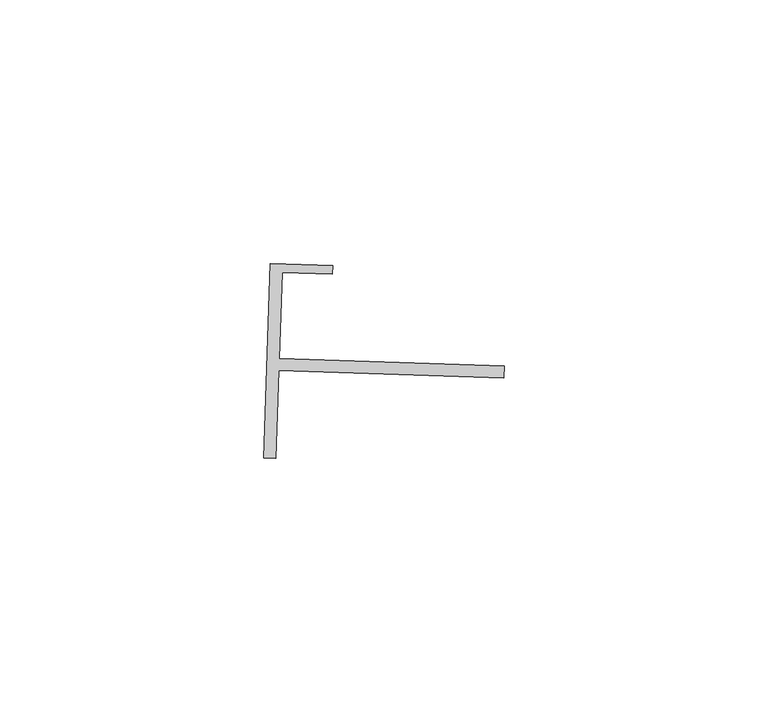
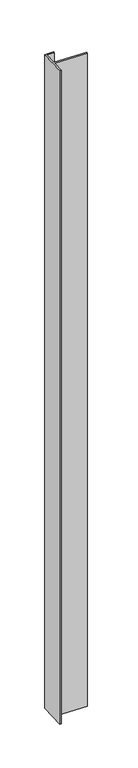
"""IFC4 building model written with IfcOpenShell, lengths in millimetres: proxy geometry."""

from ifc_helpers import new_model, si_unit, frame, origin, place, context, project, spatial, polyline, outline, extrude, source, transform, mapped, element, save


def generic_models_08c3ca73(model_context):
    return source(origin(), model_context, "Body", "SweptSolid", [
        extrude(outline(polyline([(32675.8677673, -15336.5924982), (32687.6779913, -15336.9964712), (32687.6232302, -15338.5966547), (32678.0988644, -15338.2707138), (32677.5408548, -15354.576384), (32720.2100205, -15356.0365998), (32720.1317913, -15358.3225485), (32677.4626256, -15356.8623327), (32676.892229, -15373.5299725), (32674.6063774, -15373.4517466), (32675.8677673, -15336.5924982)])), frame((0.0, 0.0, 1597.975708), z_axis=(0.0, 0.0, 1.0), x_axis=(1.0, 0.0, 0.0)), (0.0, 0.0, 1.0), 914.4),
    ])


if __name__ == "__main__":
    model = new_model("IFC4")
    model_context = context("Model", 3, world=origin())
    ifc_project = project(units=[si_unit("LENGTHUNIT", "METRE", prefix="MILLI")], contexts=[model_context])
    site = spatial("IfcSite", under=ifc_project)
    building = spatial("IfcBuilding", under=site)
    placement = place(None, origin())
    generic_models_shape = generic_models_08c3ca73(model_context)
    element("IfcBuildingElementProxy", 1, Name="Generic Models", at=placement, inside=building, context=model_context, shape_type="MappedRepresentation", body=[
        mapped(generic_models_shape, transform((0.0, 0.0, 0.0), x_axis=(1.0, 0.0, 0.0), y_axis=(0.0, 1.0, 0.0), z_axis=(0.0, 0.0, 1.0))),
    ])
    save(model, "model.ifc")
